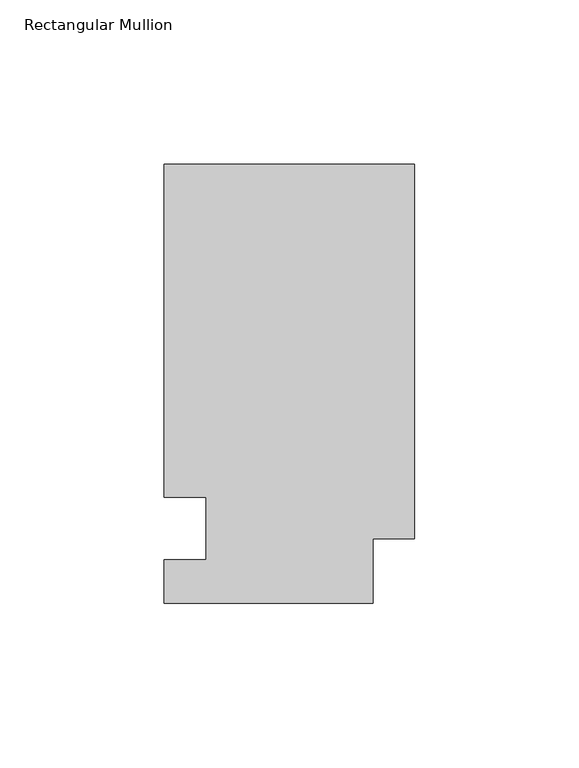
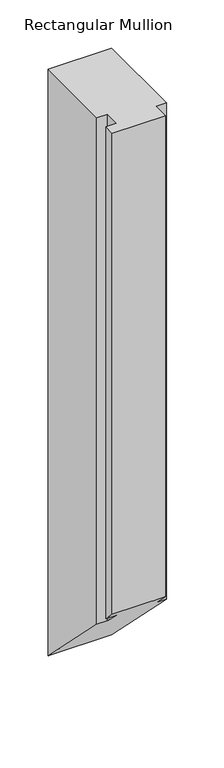
"""IFC4 building model written with IfcOpenShell, lengths in millimetres: member geometry, Rectangular Mullion."""

from ifc_helpers import new_model, si_unit, origin, place, context, project, spatial, faceted_brep, source, transform, mapped, element, save


def rectangular_mullion_21a4f5c7(model_context):
    return source(origin(), model_context, "Body", "Brep", [
        faceted_brep([(0.0, 133.4396938, 0.0), (-76.2, 133.4396938, 0.0), (-76.2, 32.2460937, 0.0), (-63.5, 32.2460938, 0.0), (-63.5, 13.1960937, 0.0), (-76.2, 13.1960937, 0.0), (-76.2, 0.0134937, 0.0), (-12.7, 0.0134937, 0.0), (-12.7, 19.5460937, 0.0), (0.0, 19.5460937, 0.0), (0.0, 133.4396938, -743.0396938), (-76.2, 133.4396938, -743.0396938), (-76.2, 32.2460937, -641.8460938), (-63.5, 32.2460937, -641.8460938), (-63.5, 13.1960937, -622.7960937), (-76.2, 13.1960937, -622.7960937), (-76.2, 0.0134937, -609.6134937), (-12.7, 0.0134937, -609.6134937), (-12.7, 19.5460937, -629.1460937), (0.0, 19.5460937, -629.1460937)], [[[0, 1, 2, 3, 4, 5, 6, 7, 8, 9]], [[1, 0, 10, 11]], [[2, 1, 11, 12]], [[3, 2, 12, 13]], [[4, 3, 13, 14]], [[5, 4, 14, 15]], [[6, 5, 15, 16]], [[7, 6, 16, 17]], [[8, 7, 17, 18]], [[9, 8, 18, 19]], [[0, 9, 19, 10]], [[10, 19, 18, 17, 16, 15, 14, 13, 12, 11]]]),
    ])


if __name__ == "__main__":
    model = new_model("IFC4")
    model_context = context("Model", 3, world=origin())
    ifc_project = project(units=[si_unit("LENGTHUNIT", "METRE", prefix="MILLI")], contexts=[model_context])
    site = spatial("IfcSite", under=ifc_project)
    building = spatial("IfcBuilding", under=site)
    placement = place(None, origin())
    rectangular_mullion_shape = rectangular_mullion_21a4f5c7(model_context)
    element("IfcMember", 1, ObjectType="Rectangular Mullion", at=placement, inside=building, context=model_context, shape_type="MappedRepresentation", body=[
        mapped(rectangular_mullion_shape, transform((0.0, 0.0, 0.0), x_axis=(1.0, 0.0, 0.0), y_axis=(0.0, 1.0, 0.0), z_axis=(0.0, 0.0, 1.0))),
    ])
    save(model, "model.ifc")
